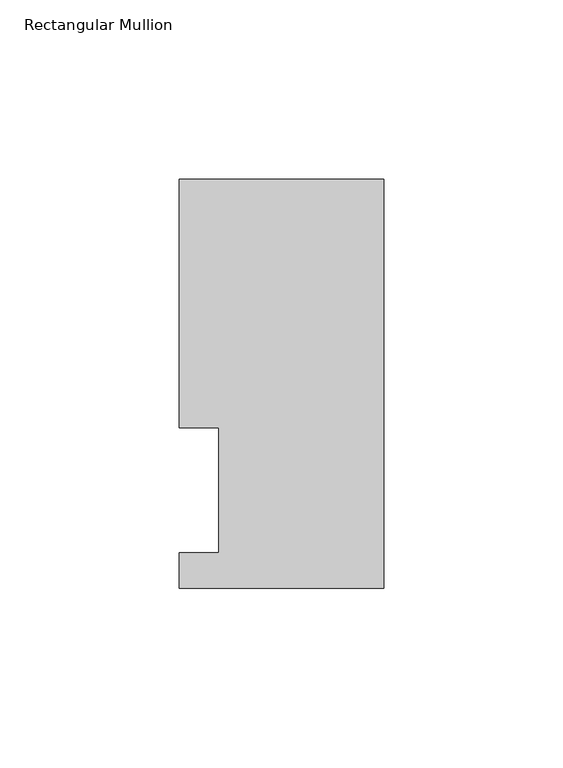
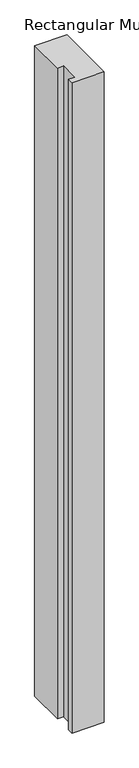
"""IFC4 building model written with IfcOpenShell, lengths in millimetres: member geometry, Rectangular Mullion."""

from ifc_helpers import new_model, si_unit, frame, origin, place, context, project, spatial, polyline, outline, extrude, source, transform, mapped, element, save


def rectangular_mullion_8e21fba0(model_context):
    return source(origin(), model_context, "Body", "SweptSolid", [
        extrude(outline(polyline([(0.0, 114.0729875), (0.0, -0.2270125), (-57.15, -0.2270125), (-57.15, 9.6789875), (-46.0375, 9.6789875), (-46.0375, 44.6039875), (-57.15, 44.6039875), (-57.15, 114.0729875), (0.0, 114.0729875)])), frame((0.0, 0.0, -1219.2), z_axis=(0.0, 0.0, 1.0), x_axis=(1.0, 0.0, 0.0)), (0.0, 0.0, 1.0), 1219.2),
    ])


if __name__ == "__main__":
    model = new_model("IFC4")
    model_context = context("Model", 3, world=origin())
    ifc_project = project(units=[si_unit("LENGTHUNIT", "METRE", prefix="MILLI")], contexts=[model_context])
    site = spatial("IfcSite", under=ifc_project)
    building = spatial("IfcBuilding", under=site)
    placement = place(None, origin())
    rectangular_mullion_shape = rectangular_mullion_8e21fba0(model_context)
    element("IfcMember", 1, ObjectType="Rectangular Mullion", at=placement, inside=building, context=model_context, shape_type="MappedRepresentation", body=[
        mapped(rectangular_mullion_shape, transform((0.0, 0.0, 0.0), x_axis=(1.0, 0.0, 0.0), y_axis=(0.0, 1.0, 0.0), z_axis=(0.0, 0.0, 1.0))),
    ])
    save(model, "model.ifc")
